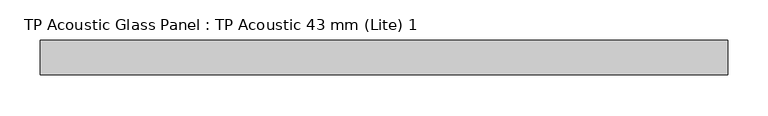
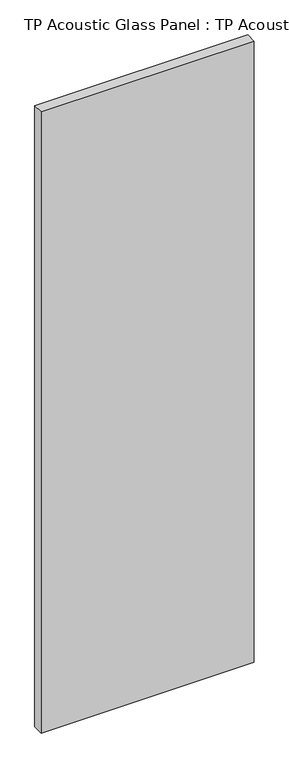
"""IFC4 building model written with IfcOpenShell, lengths in millimetres: plate geometry, TP Acoustic Glass Panel : TP Acoustic 43 mm (Lite) 1."""

from ifc_helpers import new_model, si_unit, origin, origin_with_axes, place, context, project, spatial, polyline, outline, extrude, source, transform, mapped, element, save


def tp_acoustic_glass_panel_tp_acoustic_43_mm_lite_1_57db16a4(model_context):
    return source(origin(), model_context, "Body", "SweptSolid", [
        extrude(outline(polyline([(426.625, 21.5), (426.625, -21.5), (-426.625, -21.5), (-426.625, 21.5), (426.625, 21.5)])), origin_with_axes(), (0.0, 0.0, 1.0), 2628.0),
    ])


if __name__ == "__main__":
    model = new_model("IFC4")
    model_context = context("Model", 3, world=origin())
    ifc_project = project(units=[si_unit("LENGTHUNIT", "METRE", prefix="MILLI")], contexts=[model_context])
    site = spatial("IfcSite", under=ifc_project)
    building = spatial("IfcBuilding", under=site)
    placement = place(None, origin())
    tp_acoustic_glass_panel_tp_acoustic_43_mm_lite_1_shape = tp_acoustic_glass_panel_tp_acoustic_43_mm_lite_1_57db16a4(model_context)
    element("IfcPlate", 1, ObjectType="TP Acoustic Glass Panel : TP Acoustic 43 mm (Lite) 1", at=placement, inside=building, context=model_context, shape_type="MappedRepresentation", body=[
        mapped(tp_acoustic_glass_panel_tp_acoustic_43_mm_lite_1_shape, transform((0.0, 0.0, 0.0), x_axis=(1.0, 0.0, 0.0), y_axis=(0.0, 1.0, 0.0), z_axis=(0.0, 0.0, 1.0))),
    ])
    save(model, "model.ifc")
